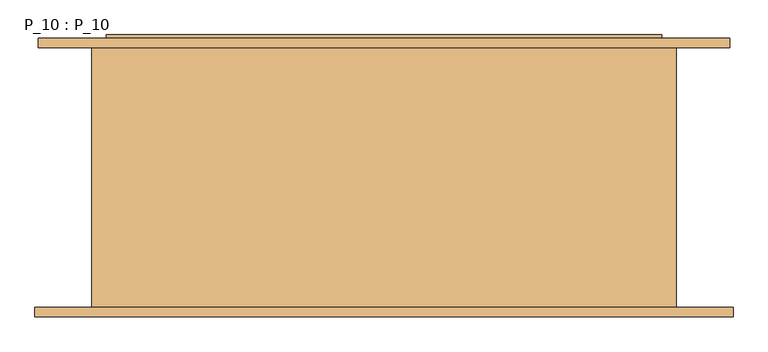
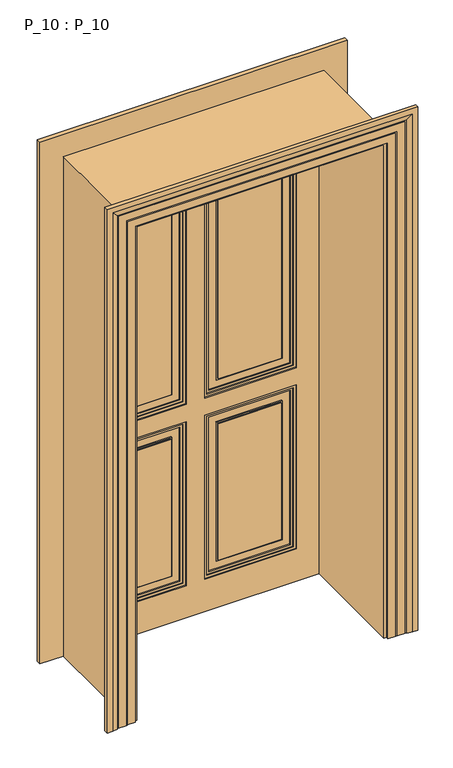
"""IFC4 building model written with IfcOpenShell, lengths in millimetres: door geometry, P_10 : P_10."""

from ifc_helpers import new_model, si_unit, frame, origin, origin_with_axes, place, context, project, spatial, polyline, outline, extrude, faceted_brep, source, transform, mapped, element, save


def p_10_p_10_3758bb49(model_context):
    return source(origin(), model_context, "Body", "SolidModel", [
        extrude(outline(polyline([(90.0, 220.0), (330.0, 220.0), (330.0, 212.0), (90.0, 212.0), (90.0, 220.0)])), frame((0.0, 0.0, 185.0), z_axis=(0.0, 0.0, 1.0), x_axis=(1.0, 0.0, 0.0)), (0.0, 0.0, 1.0), 550.0),
        extrude(outline(polyline([(-330.0, 220.0), (-90.0, 220.0), (-90.0, 212.0), (-330.0, 212.0), (-330.0, 220.0)])), frame((0.0, 0.0, 185.0), z_axis=(0.0, 0.0, 1.0), x_axis=(1.0, 0.0, 0.0)), (0.0, 0.0, 1.0), 550.0),
        extrude(outline(polyline([(90.0, 220.0), (330.0, 220.0), (330.0, 212.0), (90.0, 212.0), (90.0, 220.0)])), frame((0.0, 0.0, 915.0), z_axis=(0.0, 0.0, 1.0), x_axis=(1.0, 0.0, 0.0)), (0.0, 0.0, 1.0), 930.0),
        extrude(outline(polyline([(-330.0, 220.0), (-90.0, 220.0), (-90.0, 212.0), (-330.0, 212.0), (-330.0, 220.0)])), frame((0.0, 0.0, 915.0), z_axis=(0.0, 0.0, 1.0), x_axis=(1.0, 0.0, 0.0)), (0.0, 0.0, 1.0), 930.0),
        extrude(outline(polyline([(780.0, 45.0), (140.0, 45.0), (140.0, 375.0), (780.0, 375.0), (780.0, 45.0)]), holes=[polyline([(770.0, 55.0), (770.0, 365.0), (150.0, 365.0), (150.0, 55.0), (770.0, 55.0)])]), frame((0.0, 216.0, 0.0), z_axis=(0.0, 1.0, 0.0), x_axis=(0.0, 0.0, 1.0)), (0.0, 0.0, 1.0), 4.0),
        extrude(outline(polyline([(780.0, -375.0), (140.0, -375.0), (140.0, -45.0), (780.0, -45.0), (780.0, -375.0)]), holes=[polyline([(770.0, -365.0), (770.0, -55.0), (150.0, -55.0), (150.0, -365.0), (770.0, -365.0)])]), frame((0.0, 216.0, 0.0), z_axis=(0.0, 1.0, 0.0), x_axis=(0.0, 0.0, 1.0)), (0.0, 0.0, 1.0), 4.0),
        extrude(outline(polyline([(870.0, -45.0), (1890.0, -45.0), (1890.0, -375.0), (870.0, -375.0), (870.0, -45.0)]), holes=[polyline([(880.0, -55.0), (880.0, -365.0), (1880.0, -365.0), (1880.0, -55.0), (880.0, -55.0)])]), frame((0.0, 216.0, 0.0), z_axis=(0.0, 1.0, 0.0), x_axis=(0.0, 0.0, 1.0)), (0.0, 0.0, 1.0), 4.0),
        extrude(outline(polyline([(740.0, 85.0), (180.0, 85.0), (180.0, 335.0), (740.0, 335.0), (740.0, 85.0)]), holes=[polyline([(735.0, 90.0), (735.0, 330.0), (185.0, 330.0), (185.0, 90.0), (735.0, 90.0)])]), frame((0.0, 216.0, 0.0), z_axis=(0.0, 1.0, 0.0), x_axis=(0.0, 0.0, 1.0)), (0.0, 0.0, 1.0), 4.0),
        extrude(outline(polyline([(740.0, -335.0), (180.0, -335.0), (180.0, -85.0), (740.0, -85.0), (740.0, -335.0)]), holes=[polyline([(735.0, -330.0), (735.0, -90.0), (185.0, -90.0), (185.0, -330.0), (735.0, -330.0)])]), frame((0.0, 216.0, 0.0), z_axis=(0.0, 1.0, 0.0), x_axis=(0.0, 0.0, 1.0)), (0.0, 0.0, 1.0), 4.0),
        extrude(outline(polyline([(910.0, -85.0), (1850.0, -85.0), (1850.0, -335.0), (910.0, -335.0), (910.0, -85.0)]), holes=[polyline([(915.0, -90.0), (915.0, -330.0), (1845.0, -330.0), (1845.0, -90.0), (915.0, -90.0)])]), frame((0.0, 216.0, 0.0), z_axis=(0.0, 1.0, 0.0), x_axis=(0.0, 0.0, 1.0)), (0.0, 0.0, 1.0), 4.0),
        extrude(outline(polyline([(1890.0, 375.0), (1890.0, 45.0), (870.0, 45.0), (870.0, 375.0), (1890.0, 375.0)]), holes=[polyline([(1880.0, 365.0), (880.0, 365.0), (880.0, 55.0), (1880.0, 55.0), (1880.0, 365.0)])]), frame((0.0, 216.0, 0.0), z_axis=(0.0, 1.0, 0.0), x_axis=(0.0, 0.0, 1.0)), (0.0, 0.0, 1.0), 4.0),
        extrude(outline(polyline([(1850.0, 335.0), (1850.0, 85.0), (910.0, 85.0), (910.0, 335.0), (1850.0, 335.0)]), holes=[polyline([(1845.0, 330.0), (915.0, 330.0), (915.0, 90.0), (1845.0, 90.0), (1845.0, 330.0)])]), frame((0.0, 216.0, 0.0), z_axis=(0.0, 1.0, 0.0), x_axis=(0.0, 0.0, 1.0)), (0.0, 0.0, 1.0), 4.0),
        extrude(outline(polyline([(860.0, 385.0), (1900.0, 385.0), (1900.0, 35.0), (860.0, 35.0), (860.0, 385.0)]), holes=[polyline([(1890.0, 375.0), (870.0, 375.0), (870.0, 45.0), (1890.0, 45.0), (1890.0, 375.0)])]), frame((0.0, 212.0, 0.0), z_axis=(0.0, 1.0, 0.0), x_axis=(0.0, 0.0, 1.0)), (0.0, 0.0, 1.0), 8.0),
        extrude(outline(polyline([(790.0, -385.0), (130.0, -385.0), (130.0, -35.0), (790.0, -35.0), (790.0, -385.0)]), holes=[polyline([(780.0, -375.0), (780.0, -45.0), (140.0, -45.0), (140.0, -375.0), (780.0, -375.0)])]), frame((0.0, 212.0, 0.0), z_axis=(0.0, 1.0, 0.0), x_axis=(0.0, 0.0, 1.0)), (0.0, 0.0, 1.0), 8.0),
        extrude(outline(polyline([(130.0, 385.0), (790.0, 385.0), (790.0, 35.0), (130.0, 35.0), (130.0, 385.0)]), holes=[polyline([(780.0, 45.0), (780.0, 375.0), (140.0, 375.0), (140.0, 45.0), (780.0, 45.0)])]), frame((0.0, 212.0, 0.0), z_axis=(0.0, 1.0, 0.0), x_axis=(0.0, 0.0, 1.0)), (0.0, 0.0, 1.0), 8.0),
        extrude(outline(polyline([(1900.0, -35.0), (1900.0, -385.0), (860.0, -385.0), (860.0, -35.0), (1900.0, -35.0)]), holes=[polyline([(870.0, -45.0), (870.0, -375.0), (1890.0, -375.0), (1890.0, -45.0), (870.0, -45.0)])]), frame((0.0, 212.0, 0.0), z_axis=(0.0, 1.0, 0.0), x_axis=(0.0, 0.0, 1.0)), (0.0, 0.0, 1.0), 8.0),
        extrude(outline(polyline([(0.0, 470.0), (1985.0, 470.0), (1985.0, -470.0), (0.0, -470.0), (0.0, 470.0)]), holes=[polyline([(790.0, -35.0), (130.0, -35.0), (130.0, -385.0), (790.0, -385.0), (790.0, -35.0)]), polyline([(790.0, 385.0), (130.0, 385.0), (130.0, 35.0), (790.0, 35.0), (790.0, 385.0)]), polyline([(860.0, -35.0), (860.0, -385.0), (1900.0, -385.0), (1900.0, -35.0), (860.0, -35.0)]), polyline([(860.0, 35.0), (1900.0, 35.0), (1900.0, 385.0), (860.0, 385.0), (860.0, 35.0)])]), frame((0.0, 208.0, 0.0), z_axis=(0.0, 1.0, 0.0), x_axis=(0.0, 0.0, 1.0)), (0.0, 0.0, 1.0), 12.0),
        extrude(outline(polyline([(330.0, 230.0), (90.0, 230.0), (90.0, 238.0), (330.0, 238.0), (330.0, 230.0)])), frame((0.0, 0.0, 185.0), z_axis=(0.0, 0.0, 1.0), x_axis=(1.0, 0.0, 0.0)), (0.0, 0.0, 1.0), 550.0),
        extrude(outline(polyline([(-90.0, 230.0), (-330.0, 230.0), (-330.0, 238.0), (-90.0, 238.0), (-90.0, 230.0)])), frame((0.0, 0.0, 185.0), z_axis=(0.0, 0.0, 1.0), x_axis=(1.0, 0.0, 0.0)), (0.0, 0.0, 1.0), 550.0),
        extrude(outline(polyline([(330.0, 230.0), (90.0, 230.0), (90.0, 238.0), (330.0, 238.0), (330.0, 230.0)])), frame((0.0, 0.0, 915.0), z_axis=(0.0, 0.0, 1.0), x_axis=(1.0, 0.0, 0.0)), (0.0, 0.0, 1.0), 930.0),
        extrude(outline(polyline([(-90.0, 230.0), (-330.0, 230.0), (-330.0, 238.0), (-90.0, 238.0), (-90.0, 230.0)])), frame((0.0, 0.0, 915.0), z_axis=(0.0, 0.0, 1.0), x_axis=(1.0, 0.0, 0.0)), (0.0, 0.0, 1.0), 930.0),
        extrude(outline(polyline([(475.0, 220.0), (-475.0, 220.0), (-475.0, 230.0), (475.0, 230.0), (475.0, 220.0)])), origin_with_axes(), (0.0, 0.0, 1.0), 1990.0),
        extrude(outline(polyline([(870.0, -45.0), (1890.0, -45.0), (1890.0, -375.0), (870.0, -375.0), (870.0, -45.0)]), holes=[polyline([(880.0, -55.0), (880.0, -365.0), (1880.0, -365.0), (1880.0, -55.0), (880.0, -55.0)])]), frame((0.0, 230.0, 0.0), z_axis=(0.0, 1.0, 0.0), x_axis=(0.0, 0.0, 1.0)), (0.0, 0.0, 1.0), 4.0),
        extrude(outline(polyline([(780.0, 45.0), (140.0, 45.0), (140.0, 375.0), (780.0, 375.0), (780.0, 45.0)]), holes=[polyline([(770.0, 55.0), (770.0, 365.0), (150.0, 365.0), (150.0, 55.0), (770.0, 55.0)])]), frame((0.0, 230.0, 0.0), z_axis=(0.0, 1.0, 0.0), x_axis=(0.0, 0.0, 1.0)), (0.0, 0.0, 1.0), 4.0),
        extrude(outline(polyline([(780.0, -375.0), (140.0, -375.0), (140.0, -45.0), (780.0, -45.0), (780.0, -375.0)]), holes=[polyline([(770.0, -365.0), (770.0, -55.0), (150.0, -55.0), (150.0, -365.0), (770.0, -365.0)])]), frame((0.0, 230.0, 0.0), z_axis=(0.0, 1.0, 0.0), x_axis=(0.0, 0.0, 1.0)), (0.0, 0.0, 1.0), 4.0),
        extrude(outline(polyline([(740.0, 85.0), (180.0, 85.0), (180.0, 335.0), (740.0, 335.0), (740.0, 85.0)]), holes=[polyline([(735.0, 90.0), (735.0, 330.0), (185.0, 330.0), (185.0, 90.0), (735.0, 90.0)])]), frame((0.0, 230.0, 0.0), z_axis=(0.0, 1.0, 0.0), x_axis=(0.0, 0.0, 1.0)), (0.0, 0.0, 1.0), 4.0),
        extrude(outline(polyline([(740.0, -335.0), (180.0, -335.0), (180.0, -85.0), (740.0, -85.0), (740.0, -335.0)]), holes=[polyline([(735.0, -330.0), (735.0, -90.0), (185.0, -90.0), (185.0, -330.0), (735.0, -330.0)])]), frame((0.0, 230.0, 0.0), z_axis=(0.0, 1.0, 0.0), x_axis=(0.0, 0.0, 1.0)), (0.0, 0.0, 1.0), 4.0),
        extrude(outline(polyline([(1890.0, 45.0), (870.0, 45.0), (870.0, 375.0), (1890.0, 375.0), (1890.0, 45.0)]), holes=[polyline([(1880.0, 55.0), (1880.0, 365.0), (880.0, 365.0), (880.0, 55.0), (1880.0, 55.0)])]), frame((0.0, 230.0, 0.0), z_axis=(0.0, 1.0, 0.0), x_axis=(0.0, 0.0, 1.0)), (0.0, 0.0, 1.0), 4.0),
        extrude(outline(polyline([(1850.0, 85.0), (910.0, 85.0), (910.0, 335.0), (1850.0, 335.0), (1850.0, 85.0)]), holes=[polyline([(1845.0, 90.0), (1845.0, 330.0), (915.0, 330.0), (915.0, 90.0), (1845.0, 90.0)])]), frame((0.0, 230.0, 0.0), z_axis=(0.0, 1.0, 0.0), x_axis=(0.0, 0.0, 1.0)), (0.0, 0.0, 1.0), 4.0),
        extrude(outline(polyline([(1850.0, -335.0), (910.0, -335.0), (910.0, -85.0), (1850.0, -85.0), (1850.0, -335.0)]), holes=[polyline([(1845.0, -330.0), (1845.0, -90.0), (915.0, -90.0), (915.0, -330.0), (1845.0, -330.0)])]), frame((0.0, 230.0, 0.0), z_axis=(0.0, 1.0, 0.0), x_axis=(0.0, 0.0, 1.0)), (0.0, 0.0, 1.0), 4.0),
        extrude(outline(polyline([(860.0, 385.0), (1900.0, 385.0), (1900.0, 35.0), (860.0, 35.0), (860.0, 385.0)]), holes=[polyline([(1890.0, 45.0), (1890.0, 375.0), (870.0, 375.0), (870.0, 45.0), (1890.0, 45.0)])]), frame((0.0, 230.0, 0.0), z_axis=(0.0, 1.0, 0.0), x_axis=(0.0, 0.0, 1.0)), (0.0, 0.0, 1.0), 8.0),
        extrude(outline(polyline([(790.0, -385.0), (130.0, -385.0), (130.0, -35.0), (790.0, -35.0), (790.0, -385.0)]), holes=[polyline([(780.0, -375.0), (780.0, -45.0), (140.0, -45.0), (140.0, -375.0), (780.0, -375.0)])]), frame((0.0, 230.0, 0.0), z_axis=(0.0, 1.0, 0.0), x_axis=(0.0, 0.0, 1.0)), (0.0, 0.0, 1.0), 8.0),
        extrude(outline(polyline([(130.0, 385.0), (790.0, 385.0), (790.0, 35.0), (130.0, 35.0), (130.0, 385.0)]), holes=[polyline([(780.0, 45.0), (780.0, 375.0), (140.0, 375.0), (140.0, 45.0), (780.0, 45.0)])]), frame((0.0, 230.0, 0.0), z_axis=(0.0, 1.0, 0.0), x_axis=(0.0, 0.0, 1.0)), (0.0, 0.0, 1.0), 8.0),
        extrude(outline(polyline([(1900.0, -35.0), (1900.0, -385.0), (860.0, -385.0), (860.0, -35.0), (1900.0, -35.0)]), holes=[polyline([(870.0, -45.0), (870.0, -375.0), (1890.0, -375.0), (1890.0, -45.0), (870.0, -45.0)])]), frame((0.0, 230.0, 0.0), z_axis=(0.0, 1.0, 0.0), x_axis=(0.0, 0.0, 1.0)), (0.0, 0.0, 1.0), 8.0),
        faceted_brep([(475.0, 230.0, 0.0), (475.0, 230.0, 1990.0), (-475.0, 230.0, 1990.0), (-475.0, 230.0, 0.0), (-35.0, 230.0, 790.0), (-35.0, 230.0, 130.0), (-385.0, 230.0, 130.0), (-385.0, 230.0, 790.0), (35.0, 230.0, 860.0), (35.0, 230.0, 1900.0), (385.0, 230.0, 1900.0), (385.0, 230.0, 860.0), (-35.0, 230.0, 860.0), (-385.0, 230.0, 860.0), (-385.0, 230.0, 1900.0), (-35.0, 230.0, 1900.0), (385.0, 230.0, 790.0), (385.0, 230.0, 130.0), (35.0, 230.0, 130.0), (35.0, 230.0, 790.0), (-35.0, 242.0, 790.0), (-35.0, 242.0, 130.0), (-385.0, 242.0, 130.0), (-385.0, 242.0, 790.0), (35.0, 242.0, 860.0), (35.0, 242.0, 1900.0), (385.0, 242.0, 1900.0), (385.0, 242.0, 860.0), (-35.0, 242.0, 860.0), (-385.0, 242.0, 860.0), (-385.0, 242.0, 1900.0), (-35.0, 242.0, 1900.0), (475.0, 235.0, 0.0), (475.0, 235.0, 1990.0), (-475.0, 235.0, 1990.0), (-475.0, 235.0, 0.0), (-470.0, 235.0, 0.0), (-470.0, 242.0, 0.0), (470.0, 242.0, 0.0), (470.0, 235.0, 0.0), (385.0, 242.0, 790.0), (385.0, 242.0, 130.0), (35.0, 242.0, 130.0), (35.0, 242.0, 790.0), (-470.0, 242.0, 1985.0), (470.0, 242.0, 1985.0), (-470.0, 235.0, 1985.0), (470.0, 235.0, 1985.0)], [[[0, 1, 2, 3], [4, 5, 6, 7], [8, 9, 10, 11], [12, 13, 14, 15], [16, 17, 18, 19]], [[5, 4, 20, 21]], [[6, 5, 21, 22]], [[7, 6, 22, 23]], [[4, 7, 23, 20]], [[9, 8, 24, 25]], [[11, 10, 26, 27]], [[8, 11, 27, 24]], [[13, 12, 28, 29]], [[14, 13, 29, 30]], [[12, 15, 31, 28]], [[0, 32, 33, 1]], [[3, 2, 34, 35]], [[0, 3, 35, 36, 37, 38, 39, 32]], [[17, 16, 40, 41]], [[18, 17, 41, 42]], [[19, 18, 42, 43]], [[16, 19, 43, 40]], [[38, 37, 44, 45], [20, 23, 22, 21], [24, 27, 26, 25], [28, 31, 30, 29], [40, 43, 42, 41]], [[44, 37, 36, 46]], [[38, 45, 47, 39]], [[32, 39, 47, 46, 36, 35, 34, 33]], [[1, 33, 34, 2]], [[10, 9, 25, 26]], [[45, 44, 46, 47]], [[15, 14, 30, 31]]]),
        faceted_brep([(585.0, 220.0, 0.0), (495.0, 220.0, 0.0), (495.0, -220.0, 0.0), (591.0, -220.0, 0.0), (591.0, -236.0, 0.0), (571.0, -236.0, 0.0), (551.0, -232.0291126, 0.0), (551.0, -231.0291126, 0.0), (546.0, -231.0291126, 0.0), (546.0, -230.0291126, 0.0), (516.0, -230.0291126, 0.0), (516.0, -229.0291126, 0.0), (511.0, -229.0291126, 0.0), (511.0, -228.0291126, 0.0), (481.0, -228.0291126, 0.0), (481.0, -220.0, 0.0), (471.0, -220.0, 0.0), (471.0, 220.0, 0.0), (481.0, 220.0, 0.0), (481.0, 228.0291126, 0.0), (511.0, 228.0291126, 0.0), (511.0, 229.0291126, 0.0), (516.0, 229.0291126, 0.0), (516.0, 230.0291126, 0.0), (540.0, 230.0291126, 0.0), (540.0, 231.0291126, 0.0), (545.0, 231.0291126, 0.0), (545.0, 232.0291126, 0.0), (565.0, 236.0, 0.0), (585.0, 236.0, 0.0), (585.0, 220.0, 2100.0), (-585.0, 220.0, 2100.0), (-585.0, 220.0, 0.0), (-495.0, 220.0, 0.0), (-495.0, 220.0, 2010.0), (495.0, 220.0, 2010.0), (495.0, -220.0, 2010.0), (-495.0, -220.0, 2010.0), (-495.0, -220.0, 0.0), (-591.0, -220.0, 0.0), (-591.0, -220.0, 2106.0), (591.0, -220.0, 2106.0), (591.0, -236.0, 2106.0), (-591.0, -236.0, 2106.0), (-591.0, -236.0, 0.0), (-571.0, -236.0, 0.0), (-571.0, -236.0, 2086.0), (571.0, -236.0, 2086.0), (551.0, -232.0291126, 2066.0), (551.0, -231.0291126, 2066.0), (-551.0, -231.0291126, 2066.0), (-551.0, -231.0291126, 0.0), (-546.0, -231.0291126, 0.0), (-546.0, -231.0291126, 2061.0), (546.0, -231.0291126, 2061.0), (546.0, -230.0291126, 2061.0), (-546.0, -230.0291126, 2061.0), (-546.0, -230.0291126, 0.0), (-516.0, -230.0291126, 0.0), (-516.0, -230.0291126, 2031.0), (516.0, -230.0291126, 2031.0), (516.0, -229.0291126, 2031.0), (-516.0, -229.0291126, 2031.0), (-516.0, -229.0291126, 0.0), (-511.0, -229.0291126, 0.0), (-511.0, -229.0291126, 2026.0), (511.0, -229.0291126, 2026.0), (511.0, -228.0291126, 2026.0), (-511.0, -228.0291126, 2026.0), (-511.0, -228.0291126, 0.0), (-481.0, -228.0291126, 0.0), (-481.0, -228.0291126, 1996.0), (481.0, -228.0291126, 1996.0), (481.0, -220.0, 1996.0), (-481.0, -220.0, 1996.0), (-481.0, -220.0, 0.0), (-471.0, -220.0, 0.0), (-471.0, -220.0, 1986.0), (471.0, -220.0, 1986.0), (471.0, 220.0, 1986.0), (-471.0, 220.0, 1986.0), (-471.0, 220.0, 0.0), (-481.0, 220.0, 0.0), (-481.0, 220.0, 1996.0), (481.0, 220.0, 1996.0), (481.0, 228.0291126, 1996.0), (-481.0, 228.0291126, 1996.0), (-481.0, 228.0291126, 0.0), (-511.0, 228.0291126, 0.0), (-511.0, 228.0291126, 2026.0), (511.0, 228.0291126, 2026.0), (511.0, 229.0291126, 2026.0), (-511.0, 229.0291126, 2026.0), (-511.0, 229.0291126, 0.0), (-516.0, 229.0291126, 0.0), (-516.0, 229.0291126, 2031.0), (516.0, 229.0291126, 2031.0), (516.0, 230.0291126, 2031.0), (-516.0, 230.0291126, 2031.0), (-516.0, 230.0291126, 0.0), (-540.0, 230.0291126, 0.0), (-540.0, 230.0291126, 2055.0), (540.0, 230.0291126, 2055.0), (540.0, 231.0291126, 2055.0), (-540.0, 231.0291126, 2055.0), (-540.0, 231.0291126, 0.0), (-545.0, 231.0291126, 0.0), (-545.0, 231.0291126, 2060.0), (545.0, 231.0291126, 2060.0), (545.0, 232.0291126, 2060.0), (565.0, 236.0, 2080.0), (-565.0, 236.0, 2080.0), (-565.0, 236.0, 0.0), (-585.0, 236.0, 0.0), (-585.0, 236.0, 2100.0), (585.0, 236.0, 2100.0), (-545.0, 232.0291126, 0.0), (-551.0, -232.0291126, 0.0), (-545.0, 232.0291126, 2060.0), (-551.0, -232.0291126, 2066.0)], [[[0, 1, 2, 3, 4, 5, 6, 7, 8, 9, 10, 11, 12, 13, 14, 15, 16, 17, 18, 19, 20, 21, 22, 23, 24, 25, 26, 27, 28, 29]], [[1, 0, 30, 31, 32, 33, 34, 35]], [[2, 1, 35, 36]], [[3, 2, 36, 37, 38, 39, 40, 41]], [[4, 3, 41, 42]], [[5, 4, 42, 43, 44, 45, 46, 47]], [[6, 5, 47, 48]], [[7, 6, 48, 49]], [[8, 7, 49, 50, 51, 52, 53, 54]], [[9, 8, 54, 55]], [[10, 9, 55, 56, 57, 58, 59, 60]], [[11, 10, 60, 61]], [[12, 11, 61, 62, 63, 64, 65, 66]], [[13, 12, 66, 67]], [[14, 13, 67, 68, 69, 70, 71, 72]], [[15, 14, 72, 73]], [[16, 15, 73, 74, 75, 76, 77, 78]], [[17, 16, 78, 79]], [[18, 17, 79, 80, 81, 82, 83, 84]], [[19, 18, 84, 85]], [[20, 19, 85, 86, 87, 88, 89, 90]], [[21, 20, 90, 91]], [[22, 21, 91, 92, 93, 94, 95, 96]], [[23, 22, 96, 97]], [[24, 23, 97, 98, 99, 100, 101, 102]], [[25, 24, 102, 103]], [[26, 25, 103, 104, 105, 106, 107, 108]], [[27, 26, 108, 109]], [[28, 27, 109, 110]], [[29, 28, 110, 111, 112, 113, 114, 115]], [[0, 29, 115, 30]], [[31, 114, 113, 32]], [[32, 113, 112, 116, 106, 105, 100, 99, 94, 93, 88, 87, 82, 81, 76, 75, 70, 69, 64, 63, 58, 57, 52, 51, 117, 45, 44, 39, 38, 33]], [[37, 34, 33, 38]], [[74, 71, 70, 75]], [[80, 77, 76, 81]], [[86, 83, 82, 87]], [[111, 118, 116, 112]], [[118, 107, 106, 116]], [[104, 101, 100, 105]], [[98, 95, 94, 99]], [[92, 89, 88, 93]], [[68, 65, 64, 69]], [[62, 59, 58, 63]], [[56, 53, 52, 57]], [[50, 119, 117, 51]], [[119, 46, 45, 117]], [[43, 40, 39, 44]], [[36, 35, 34, 37]], [[79, 78, 77, 80]], [[85, 84, 83, 86]], [[30, 115, 114, 31]], [[91, 90, 89, 92]], [[97, 96, 95, 98]], [[103, 102, 101, 104]], [[109, 108, 107, 118]], [[110, 109, 118, 111]], [[42, 41, 40, 43]], [[48, 47, 46, 119]], [[49, 48, 119, 50]], [[55, 54, 53, 56]], [[61, 60, 59, 62]], [[67, 66, 65, 68]], [[73, 72, 71, 74]]]),
    ])


if __name__ == "__main__":
    model = new_model("IFC4")
    model_context = context("Model", 3, world=origin())
    ifc_project = project(units=[si_unit("LENGTHUNIT", "METRE", prefix="MILLI")], contexts=[model_context])
    site = spatial("IfcSite", under=ifc_project)
    building = spatial("IfcBuilding", under=site)
    placement = place(None, origin())
    p_10_p_10_shape = p_10_p_10_3758bb49(model_context)
    element("IfcDoor", 1, ObjectType="P_10 : P_10", at=placement, inside=building, context=model_context, shape_type="MappedRepresentation", body=[
        mapped(p_10_p_10_shape, transform((0.0, 0.0, 0.0), x_axis=(1.0, 0.0, 0.0), y_axis=(0.0, 1.0, 0.0), z_axis=(0.0, 0.0, 1.0))),
    ])
    save(model, "model.ifc")
